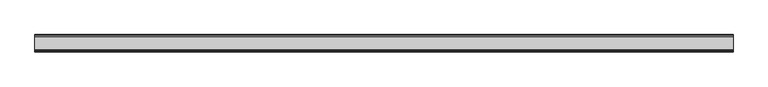
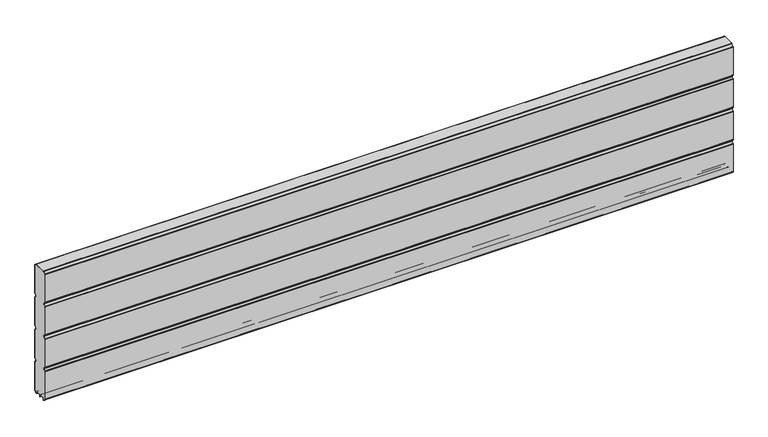
"""IFC4 building model written with IfcOpenShell, lengths in millimetres: plate geometry."""

from ifc_helpers import new_model, si_unit, point, frame, frame_2d, origin, place, context, project, spatial, polyline, circle_curve, trimmed, segment, composite_curve, outline, extrude, source, transform, mapped, element, save


def plate_25462041(model_context):
    return source(origin(), model_context, "Body", "SweptSolid", [
        extrude(outline(composite_curve([segment(polyline([(-29.2650466, 451.7624879), (-35.7138292, 458.2112702)]), True, "CONTINUOUS"), segment(trimmed(circle_curve(frame_2d((-34.2991913, 459.6259081)), 2.0006001), [point((-35.7138292, 458.2112702))], [point((-36.2997914, 459.6259081))], False, "CARTESIAN"), True, "CONTINUOUS"), segment(polyline([(-36.2997914, 459.6259081), (-36.2997914, 588.874925)]), True, "CONTINUOUS"), segment(trimmed(circle_curve(frame_2d((-34.3025404, 588.8763112)), 1.9972515), [point((-36.2997914, 588.874925))], [point((-35.7145328, 590.2888589))], False, "CARTESIAN"), True, "CONTINUOUS"), segment(polyline([(-35.7145328, 590.2888589), (-27.7860861, 598.2141893)]), True, "CONTINUOUS"), segment(trimmed(circle_curve(frame_2d((-26.3717262, 596.7992733)), 2.0006002), [point((-27.7860861, 598.2141893))], [point((-26.3717262, 598.7998734))], False, "CARTESIAN"), True, "CONTINUOUS"), segment(polyline([(-26.3717262, 598.7998734), (26.3717262, 598.7998734)]), True, "CONTINUOUS"), segment(trimmed(circle_curve(frame_2d((26.3717262, 596.7992733)), 2.0006002), [point((26.3717262, 598.7998734))], [point((27.7860861, 598.2141893))], False, "CARTESIAN"), True, "CONTINUOUS"), segment(polyline([(27.7860861, 598.2141893), (35.7145328, 590.2888589)]), True, "CONTINUOUS"), segment(trimmed(circle_curve(frame_2d((34.3025404, 588.8763112)), 1.9972515), [point((35.7145328, 590.2888589))], [point((36.2997914, 588.874925))], False, "CARTESIAN"), True, "CONTINUOUS"), segment(polyline([(36.2997914, 588.874925), (36.2997914, 459.6259081)]), True, "CONTINUOUS"), segment(trimmed(circle_curve(frame_2d((34.2991913, 459.6259081)), 2.0006001), [point((36.2997914, 459.6259081))], [point((35.7138292, 458.2112702))], False, "CARTESIAN"), True, "CONTINUOUS"), segment(polyline([(35.7138292, 458.2112702), (29.2650466, 451.7624879)]), True, "CONTINUOUS"), segment(trimmed(circle_curve(frame_2d((31.5325895, 449.4949449)), 3.20679), [point((29.2650466, 451.7624879))], [point((29.114664, 447.3884934))], True, "CARTESIAN"), True, "CONTINUOUS"), segment(polyline([(29.114664, 447.3884934), (35.7138291, 440.7893285)]), True, "CONTINUOUS"), segment(trimmed(circle_curve(frame_2d((34.2991912, 439.3746906)), 2.0006001), [point((35.7138291, 440.7893285))], [point((36.2997913, 439.3746906))], False, "CARTESIAN"), True, "CONTINUOUS"), segment(polyline([(36.2997913, 439.3746906), (36.2997913, 309.6259081)]), True, "CONTINUOUS"), segment(trimmed(circle_curve(frame_2d((34.2991912, 309.6259081)), 2.0006001), [point((36.2997913, 309.6259081))], [point((35.7138291, 308.2112702))], False, "CARTESIAN"), True, "CONTINUOUS"), segment(polyline([(35.7138291, 308.2112702), (29.2650466, 301.7624879)]), True, "CONTINUOUS"), segment(trimmed(circle_curve(frame_2d((31.5325895, 299.4949449)), 3.20679), [point((29.2650466, 301.7624879))], [point((29.4261379, 297.0770195))], True, "CARTESIAN"), True, "CONTINUOUS"), segment(polyline([(29.4261379, 297.0770195), (35.7138291, 290.7893285)]), True, "CONTINUOUS"), segment(trimmed(circle_curve(frame_2d((34.2991912, 289.3746906)), 2.0006001), [point((35.7138291, 290.7893285))], [point((36.2997913, 289.3746906))], False, "CARTESIAN"), True, "CONTINUOUS"), segment(polyline([(36.2997913, 289.3746906), (36.2997913, 159.6246474)]), True, "CONTINUOUS"), segment(trimmed(circle_curve(frame_2d((34.2991912, 159.6246474)), 2.0006001), [point((36.2997913, 159.6246474))], [point((35.7138291, 158.2100095))], False, "CARTESIAN"), True, "CONTINUOUS"), segment(polyline([(35.7138291, 158.2100095), (29.2650466, 151.7612271)]), True, "CONTINUOUS"), segment(trimmed(circle_curve(frame_2d((31.5325895, 149.4936842)), 3.20679), [point((29.2650466, 151.7612271))], [point((29.114664, 147.3872326))], True, "CARTESIAN"), True, "CONTINUOUS"), segment(polyline([(29.114664, 147.3872326), (35.7138292, 140.7880678)]), True, "CONTINUOUS"), segment(trimmed(circle_curve(frame_2d((34.2991912, 139.3734299)), 2.0006001), [point((35.7138292, 140.7880678))], [point((36.2997914, 139.3734299))], False, "CARTESIAN"), True, "CONTINUOUS"), segment(polyline([(36.2997914, 139.3734299), (36.2997914, 10.1250796)]), True, "CONTINUOUS"), segment(trimmed(circle_curve(frame_2d((34.299192, 10.1250796)), 2.0005994), [point((36.2997914, 10.1250796))], [point((35.7138294, 8.7104422))], False, "CARTESIAN"), True, "CONTINUOUS"), segment(polyline([(35.7138294, 8.7104422), (28.7893255, 1.7859383)]), True, "CONTINUOUS"), segment(trimmed(circle_curve(frame_2d((27.3158157, 3.2594482)), 2.0838576), [point((28.7893255, 1.7859383))], [point((25.2327947, 3.2004014))], False, "CARTESIAN"), True, "CONTINUOUS"), segment(polyline([(25.2327947, 3.2004014), (25.2327947, 7.9999453)]), True, "CONTINUOUS"), segment(trimmed(circle_curve(frame_2d((22.0323933, 7.9999453)), 3.2004014), [point((25.2327947, 7.9999453))], [point((22.0323933, 11.2003467))], True, "CARTESIAN"), True, "CONTINUOUS"), segment(polyline([(22.0323933, 11.2003467), (3.1993432, 11.2003467)]), True, "CONTINUOUS"), segment(trimmed(circle_curve(frame_2d((3.1993432, 8.0010035)), 3.1993432), [point((3.1993432, 11.2003467))], [point((0.0, 8.0010035))], True, "CARTESIAN"), True, "CONTINUOUS"), segment(trimmed(circle_curve(frame_2d((-3.1993432, 8.0010035)), 3.1993432), [point((0.0, 8.0010035))], [point((-3.1993432, 11.2003467))], True, "CARTESIAN"), True, "CONTINUOUS"), segment(polyline([(-3.1993432, 11.2003467), (-22.0323933, 11.2003467)]), True, "CONTINUOUS"), segment(trimmed(circle_curve(frame_2d((-22.0323933, 7.9999453)), 3.2004014), [point((-22.0323933, 11.2003467))], [point((-25.2327947, 7.9999453))], True, "CARTESIAN"), True, "CONTINUOUS"), segment(polyline([(-25.2327947, 7.9999453), (-25.2327947, 3.2004014)]), True, "CONTINUOUS"), segment(trimmed(circle_curve(frame_2d((-27.3158157, 3.2594482)), 2.0838576), [point((-25.2327947, 3.2004014))], [point((-28.7893255, 1.7859383))], False, "CARTESIAN"), True, "CONTINUOUS"), segment(polyline([(-28.7893255, 1.7859383), (-35.7138294, 8.7104422)]), True, "CONTINUOUS"), segment(trimmed(circle_curve(frame_2d((-34.299192, 10.1250796)), 2.0005994), [point((-35.7138294, 8.7104422))], [point((-36.2997914, 10.1250796))], False, "CARTESIAN"), True, "CONTINUOUS"), segment(polyline([(-36.2997914, 10.1250796), (-36.2997914, 139.3734299)]), True, "CONTINUOUS"), segment(trimmed(circle_curve(frame_2d((-34.2991912, 139.3734299)), 2.0006001), [point((-36.2997914, 139.3734299))], [point((-35.7138292, 140.7880678))], False, "CARTESIAN"), True, "CONTINUOUS"), segment(polyline([(-35.7138292, 140.7880678), (-29.114664, 147.3872326)]), True, "CONTINUOUS"), segment(trimmed(circle_curve(frame_2d((-31.5325895, 149.4936842)), 3.20679), [point((-29.114664, 147.3872326))], [point((-29.2650466, 151.7612271))], True, "CARTESIAN"), True, "CONTINUOUS"), segment(polyline([(-29.2650466, 151.7612271), (-35.7138291, 158.2100095)]), True, "CONTINUOUS"), segment(trimmed(circle_curve(frame_2d((-34.2991912, 159.6246474)), 2.0006001), [point((-35.7138291, 158.2100095))], [point((-36.2997913, 159.6246474))], False, "CARTESIAN"), True, "CONTINUOUS"), segment(polyline([(-36.2997913, 159.6246474), (-36.2997913, 289.3746906)]), True, "CONTINUOUS"), segment(trimmed(circle_curve(frame_2d((-34.2991912, 289.3746906)), 2.0006001), [point((-36.2997913, 289.3746906))], [point((-35.7138291, 290.7893285))], False, "CARTESIAN"), True, "CONTINUOUS"), segment(polyline([(-35.7138291, 290.7893285), (-29.4261379, 297.0770195)]), True, "CONTINUOUS"), segment(trimmed(circle_curve(frame_2d((-31.5325895, 299.4949449)), 3.20679), [point((-29.4261379, 297.0770195))], [point((-29.2650466, 301.7624879))], True, "CARTESIAN"), True, "CONTINUOUS"), segment(polyline([(-29.2650466, 301.7624879), (-35.7138291, 308.2112702)]), True, "CONTINUOUS"), segment(trimmed(circle_curve(frame_2d((-34.2991912, 309.6259081)), 2.0006001), [point((-35.7138291, 308.2112702))], [point((-36.2997913, 309.6259081))], False, "CARTESIAN"), True, "CONTINUOUS"), segment(polyline([(-36.2997913, 309.6259081), (-36.2997913, 439.3746906)]), True, "CONTINUOUS"), segment(trimmed(circle_curve(frame_2d((-34.2991912, 439.3746906)), 2.0006001), [point((-36.2997913, 439.3746906))], [point((-35.7138291, 440.7893285))], False, "CARTESIAN"), True, "CONTINUOUS"), segment(polyline([(-35.7138291, 440.7893285), (-29.114664, 447.3884934)]), True, "CONTINUOUS"), segment(trimmed(circle_curve(frame_2d((-31.5325895, 449.4949449)), 3.20679), [point((-29.114664, 447.3884934))], [point((-29.2650466, 451.7624879))], True, "CARTESIAN"), True, "CONTINUOUS")], self_intersect=False)), frame((-1508.538987, 0.0, 0.0), z_axis=(1.0, 0.0, 0.0), x_axis=(0.0, 1.0, 0.0)), (0.0, 0.0, 1.0), 3017.0779741),
        extrude(outline(composite_curve([segment(trimmed(circle_curve(frame_2d((-34.299418, 588.8742584)), 3.200524), [point((-37.499942, 588.8742584))], [point((-36.5622582, 591.1376426))], False, "CARTESIAN"), True, "CONTINUOUS"), segment(polyline([(-36.5622582, 591.1376426), (-28.6355395, 599.0624563)]), True, "CONTINUOUS"), segment(trimmed(circle_curve(frame_2d((-26.3720296, 596.7984023)), 3.2014711), [point((-28.6355395, 599.0624563))], [point((-26.3720296, 599.9998734))], False, "CARTESIAN"), True, "CONTINUOUS"), segment(polyline([(-26.3720296, 599.9998734), (26.3720296, 599.9998734)]), True, "CONTINUOUS"), segment(trimmed(circle_curve(frame_2d((26.3720296, 596.7984023)), 3.2014711), [point((26.3720296, 599.9998734))], [point((28.6355395, 599.0624563))], False, "CARTESIAN"), True, "CONTINUOUS"), segment(polyline([(28.6355395, 599.0624563), (36.5622582, 591.1376426)]), True, "CONTINUOUS"), segment(trimmed(circle_curve(frame_2d((34.299418, 588.8742584)), 3.200524), [point((36.5622582, 591.1376426))], [point((37.499942, 588.8742584))], False, "CARTESIAN"), True, "CONTINUOUS"), segment(polyline([(37.499942, 588.8742584), (37.499942, 459.6259081)]), True, "CONTINUOUS"), segment(trimmed(circle_curve(frame_2d((34.3010265, 459.6259081)), 3.1989155), [point((37.499942, 459.6259081))], [point((36.5630013, 457.3639333))], False, "CARTESIAN"), True, "CONTINUOUS"), segment(polyline([(36.5630013, 457.3639333), (30.1138303, 450.9147625)]), True, "CONTINUOUS"), segment(trimmed(circle_curve(frame_2d((31.5282934, 449.5002993)), 2.000353), [point((30.1138303, 450.9147625))], [point((30.1138303, 448.0858362))], True, "CARTESIAN"), True, "CONTINUOUS"), segment(polyline([(30.1138303, 448.0858362), (36.5630013, 441.6366654)]), True, "CONTINUOUS"), segment(trimmed(circle_curve(frame_2d((34.3010265, 439.3746906)), 3.1989154), [point((36.5630013, 441.6366654))], [point((37.4999419, 439.3746906))], False, "CARTESIAN"), True, "CONTINUOUS"), segment(polyline([(37.4999419, 439.3746906), (37.4999419, 309.6259081)]), True, "CONTINUOUS"), segment(trimmed(circle_curve(frame_2d((34.3010265, 309.6259081)), 3.1989154), [point((37.4999419, 309.6259081))], [point((36.5630013, 307.3639333))], False, "CARTESIAN"), True, "CONTINUOUS"), segment(polyline([(36.5630013, 307.3639333), (30.1138303, 300.9147625)]), True, "CONTINUOUS"), segment(trimmed(circle_curve(frame_2d((31.5282934, 299.5002993)), 2.000353), [point((30.1138303, 300.9147625))], [point((30.1138303, 298.0858362))], True, "CARTESIAN"), True, "CONTINUOUS"), segment(polyline([(30.1138303, 298.0858362), (36.5630013, 291.6366654)]), True, "CONTINUOUS"), segment(trimmed(circle_curve(frame_2d((34.3010265, 289.3746906)), 3.1989154), [point((36.5630013, 291.6366654))], [point((37.4999419, 289.3746906))], False, "CARTESIAN"), True, "CONTINUOUS"), segment(polyline([(37.4999419, 289.3746906), (37.4999419, 159.6246474)]), True, "CONTINUOUS"), segment(trimmed(circle_curve(frame_2d((34.3010265, 159.6246474)), 3.1989154), [point((37.4999419, 159.6246474))], [point((36.5630013, 157.3626726))], False, "CARTESIAN"), True, "CONTINUOUS"), segment(polyline([(36.5630013, 157.3626726), (30.1138303, 150.9135018)]), True, "CONTINUOUS"), segment(trimmed(circle_curve(frame_2d((31.5282934, 149.4990386)), 2.000353), [point((30.1138303, 150.9135018))], [point((30.1138303, 148.0845755))], True, "CARTESIAN"), True, "CONTINUOUS"), segment(polyline([(30.1138303, 148.0845755), (36.5630013, 141.6354046)]), True, "CONTINUOUS"), segment(trimmed(circle_curve(frame_2d((34.3010265, 139.3734298)), 3.1989154), [point((36.5630013, 141.6354046))], [point((37.4999419, 139.3734298))], False, "CARTESIAN"), True, "CONTINUOUS"), segment(polyline([(37.4999419, 139.3734298), (37.4999419, 10.1250796)]), True, "CONTINUOUS"), segment(trimmed(circle_curve(frame_2d((34.3010265, 10.1250796)), 3.1989154), [point((37.4999419, 10.1250796))], [point((36.5630004, 7.8631039))], False, "CARTESIAN"), True, "CONTINUOUS"), segment(polyline([(36.5630004, 7.8631039), (29.6332576, 0.9333666)]), True, "CONTINUOUS"), segment(trimmed(circle_curve(frame_2d((27.311397, 3.255229)), 3.283608), [point((29.6332576, 0.9333666))], [point((24.0283217, 3.1960843))], False, "CARTESIAN"), True, "CONTINUOUS"), segment(polyline([(24.0283217, 3.1960843), (24.0326442, 7.9999453)]), True, "CONTINUOUS"), segment(trimmed(circle_curve(frame_2d((22.0341915, 8.0017435)), 1.9984535), [point((24.0326442, 7.9999453))], [point((22.0323933, 10.0001962))], True, "CARTESIAN"), True, "CONTINUOUS"), segment(polyline([(22.0323933, 10.0001962), (3.1993432, 10.0001962)]), True, "CONTINUOUS"), segment(trimmed(circle_curve(frame_2d((3.1993432, 8.0010035)), 1.9991927), [point((3.1993432, 10.0001962))], [point((1.2001505, 8.0010035))], True, "CARTESIAN"), True, "CONTINUOUS"), segment(polyline([(1.2001505, 8.0010035), (1.2001504, 0.0), (0.0, 0.0), (-1.2001504, 0.0), (-1.2001504, 8.0010034)]), True, "CONTINUOUS"), segment(trimmed(circle_curve(frame_2d((-3.1993432, 8.0010035)), 1.9991928), [point((-1.2001504, 8.0010034))], [point((-3.1993432, 10.0001963))], True, "CARTESIAN"), True, "CONTINUOUS"), segment(polyline([(-3.1993432, 10.0001963), (-22.0323933, 10.0001962)]), True, "CONTINUOUS"), segment(trimmed(circle_curve(frame_2d((-22.0341915, 8.0017435)), 1.9984535), [point((-22.0323933, 10.0001962))], [point((-24.0326442, 7.9999453))], True, "CARTESIAN"), True, "CONTINUOUS"), segment(polyline([(-24.0326442, 7.9999453), (-24.0283217, 3.1960843)]), True, "CONTINUOUS"), segment(trimmed(circle_curve(frame_2d((-27.311397, 3.255229)), 3.283608), [point((-24.0283217, 3.1960843))], [point((-29.6332576, 0.9333666))], False, "CARTESIAN"), True, "CONTINUOUS"), segment(polyline([(-29.6332576, 0.9333666), (-36.5630004, 7.8631039)]), True, "CONTINUOUS"), segment(trimmed(circle_curve(frame_2d((-34.3010265, 10.1250796)), 3.1989154), [point((-36.5630004, 7.8631039))], [point((-37.4999419, 10.1250796))], False, "CARTESIAN"), True, "CONTINUOUS"), segment(polyline([(-37.4999419, 10.1250796), (-37.4999419, 139.3734298)]), True, "CONTINUOUS"), segment(trimmed(circle_curve(frame_2d((-34.3010265, 139.3734298)), 3.1989154), [point((-37.4999419, 139.3734298))], [point((-36.5630013, 141.6354046))], False, "CARTESIAN"), True, "CONTINUOUS"), segment(polyline([(-36.5630013, 141.6354046), (-30.1138303, 148.0845755)]), True, "CONTINUOUS"), segment(trimmed(circle_curve(frame_2d((-31.5282934, 149.4990386)), 2.000353), [point((-30.1138303, 148.0845755))], [point((-30.1138303, 150.9135018))], True, "CARTESIAN"), True, "CONTINUOUS"), segment(polyline([(-30.1138303, 150.9135018), (-36.5630013, 157.3626726)]), True, "CONTINUOUS"), segment(trimmed(circle_curve(frame_2d((-34.3010265, 159.6246474)), 3.1989154), [point((-36.5630013, 157.3626726))], [point((-37.4999419, 159.6246474))], False, "CARTESIAN"), True, "CONTINUOUS"), segment(polyline([(-37.4999419, 159.6246474), (-37.4999419, 289.3746906)]), True, "CONTINUOUS"), segment(trimmed(circle_curve(frame_2d((-34.3010265, 289.3746906)), 3.1989154), [point((-37.4999419, 289.3746906))], [point((-36.5630013, 291.6366653))], False, "CARTESIAN"), True, "CONTINUOUS"), segment(polyline([(-36.5630013, 291.6366653), (-30.1138303, 298.0858362)]), True, "CONTINUOUS"), segment(trimmed(circle_curve(frame_2d((-31.5282934, 299.5002993)), 2.000353), [point((-30.1138303, 298.0858362))], [point((-30.1138303, 300.9147625))], True, "CARTESIAN"), True, "CONTINUOUS"), segment(polyline([(-30.1138303, 300.9147625), (-36.5630013, 307.3639333)]), True, "CONTINUOUS"), segment(trimmed(circle_curve(frame_2d((-34.3010265, 309.6259081)), 3.1989154), [point((-36.5630013, 307.3639333))], [point((-37.4999419, 309.6259081))], False, "CARTESIAN"), True, "CONTINUOUS"), segment(polyline([(-37.4999419, 309.6259081), (-37.4999419, 439.3746906)]), True, "CONTINUOUS"), segment(trimmed(circle_curve(frame_2d((-34.3010265, 439.3746906)), 3.1989154), [point((-37.4999419, 439.3746906))], [point((-36.5630013, 441.6366653))], False, "CARTESIAN"), True, "CONTINUOUS"), segment(polyline([(-36.5630013, 441.6366653), (-30.1138303, 448.0858362)]), True, "CONTINUOUS"), segment(trimmed(circle_curve(frame_2d((-31.5282934, 449.5002993)), 2.000353), [point((-30.1138303, 448.0858362))], [point((-30.1138303, 450.9147625))], True, "CARTESIAN"), True, "CONTINUOUS"), segment(polyline([(-30.1138303, 450.9147625), (-36.5630013, 457.3639333)]), True, "CONTINUOUS"), segment(trimmed(circle_curve(frame_2d((-34.3010265, 459.6259081)), 3.1989155), [point((-36.5630013, 457.3639333))], [point((-37.499942, 459.6259081))], False, "CARTESIAN"), True, "CONTINUOUS"), segment(polyline([(-37.499942, 459.6259081), (-37.499942, 588.8742584)]), True, "CONTINUOUS")], self_intersect=False), holes=[composite_curve([segment(trimmed(circle_curve(frame_2d((-31.5325895, 449.4949449)), 3.20679), [point((-29.2650466, 451.7624879))], [point((-29.114664, 447.3884934))], False, "CARTESIAN"), True, "CONTINUOUS"), segment(polyline([(-29.114664, 447.3884934), (-35.7138291, 440.7893285)]), True, "CONTINUOUS"), segment(trimmed(circle_curve(frame_2d((-34.2991912, 439.3746906)), 2.0006001), [point((-35.7138291, 440.7893285))], [point((-36.2997913, 439.3746906))], True, "CARTESIAN"), True, "CONTINUOUS"), segment(polyline([(-36.2997913, 439.3746906), (-36.2997913, 309.6259081)]), True, "CONTINUOUS"), segment(trimmed(circle_curve(frame_2d((-34.2991912, 309.6259081)), 2.0006001), [point((-36.2997913, 309.6259081))], [point((-35.7138291, 308.2112702))], True, "CARTESIAN"), True, "CONTINUOUS"), segment(polyline([(-35.7138291, 308.2112702), (-29.2650466, 301.7624879)]), True, "CONTINUOUS"), segment(trimmed(circle_curve(frame_2d((-31.5325895, 299.4949449)), 3.20679), [point((-29.2650466, 301.7624879))], [point((-29.4261379, 297.0770195))], False, "CARTESIAN"), True, "CONTINUOUS"), segment(polyline([(-29.4261379, 297.0770195), (-35.7138291, 290.7893285)]), True, "CONTINUOUS"), segment(trimmed(circle_curve(frame_2d((-34.2991912, 289.3746906)), 2.0006001), [point((-35.7138291, 290.7893285))], [point((-36.2997913, 289.3746906))], True, "CARTESIAN"), True, "CONTINUOUS"), segment(polyline([(-36.2997913, 289.3746906), (-36.2997913, 159.6246474)]), True, "CONTINUOUS"), segment(trimmed(circle_curve(frame_2d((-34.2991912, 159.6246474)), 2.0006001), [point((-36.2997913, 159.6246474))], [point((-35.7138291, 158.2100095))], True, "CARTESIAN"), True, "CONTINUOUS"), segment(polyline([(-35.7138291, 158.2100095), (-29.2650466, 151.7612271)]), True, "CONTINUOUS"), segment(trimmed(circle_curve(frame_2d((-31.5325895, 149.4936842)), 3.20679), [point((-29.2650466, 151.7612271))], [point((-29.114664, 147.3872326))], False, "CARTESIAN"), True, "CONTINUOUS"), segment(polyline([(-29.114664, 147.3872326), (-35.7138292, 140.7880677)]), True, "CONTINUOUS"), segment(trimmed(circle_curve(frame_2d((-34.2991912, 139.3734298)), 2.0006001), [point((-35.7138292, 140.7880677))], [point((-36.2997914, 139.3734298))], True, "CARTESIAN"), True, "CONTINUOUS"), segment(polyline([(-36.2997914, 139.3734298), (-36.2997914, 10.1250796)]), True, "CONTINUOUS"), segment(trimmed(circle_curve(frame_2d((-34.299192, 10.1250796)), 2.0005994), [point((-36.2997914, 10.1250796))], [point((-35.7138294, 8.7104422))], True, "CARTESIAN"), True, "CONTINUOUS"), segment(polyline([(-35.7138294, 8.7104422), (-28.7893255, 1.7859383)]), True, "CONTINUOUS"), segment(trimmed(circle_curve(frame_2d((-27.3158157, 3.2594482)), 2.0838576), [point((-28.7893255, 1.7859383))], [point((-25.2327947, 3.2004014))], True, "CARTESIAN"), True, "CONTINUOUS"), segment(polyline([(-25.2327947, 3.2004014), (-25.2327947, 7.9999453)]), True, "CONTINUOUS"), segment(trimmed(circle_curve(frame_2d((-22.0323933, 7.9999453)), 3.2004014), [point((-25.2327947, 7.9999453))], [point((-22.0323933, 11.2003467))], False, "CARTESIAN"), True, "CONTINUOUS"), segment(polyline([(-22.0323933, 11.2003467), (-3.1993432, 11.2003467)]), True, "CONTINUOUS"), segment(trimmed(circle_curve(frame_2d((-3.1993432, 8.0010035)), 3.1993432), [point((-3.1993432, 11.2003467))], [point((0.0, 8.0010035))], False, "CARTESIAN"), True, "CONTINUOUS"), segment(trimmed(circle_curve(frame_2d((3.1993432, 8.0010035)), 3.1993432), [point((0.0, 8.0010035))], [point((3.1993432, 11.2003467))], False, "CARTESIAN"), True, "CONTINUOUS"), segment(polyline([(3.1993432, 11.2003467), (22.0323933, 11.2003467)]), True, "CONTINUOUS"), segment(trimmed(circle_curve(frame_2d((22.0323933, 7.9999453)), 3.2004014), [point((22.0323933, 11.2003467))], [point((25.2327947, 7.9999453))], False, "CARTESIAN"), True, "CONTINUOUS"), segment(polyline([(25.2327947, 7.9999453), (25.2327947, 3.2004014)]), True, "CONTINUOUS"), segment(trimmed(circle_curve(frame_2d((27.3158157, 3.2594482)), 2.0838576), [point((25.2327947, 3.2004014))], [point((28.7893255, 1.7859383))], True, "CARTESIAN"), True, "CONTINUOUS"), segment(polyline([(28.7893255, 1.7859383), (35.7138294, 8.7104422)]), True, "CONTINUOUS"), segment(trimmed(circle_curve(frame_2d((34.299192, 10.1250796)), 2.0005994), [point((35.7138294, 8.7104422))], [point((36.2997914, 10.1250796))], True, "CARTESIAN"), True, "CONTINUOUS"), segment(polyline([(36.2997914, 10.1250796), (36.2997914, 139.3734298)]), True, "CONTINUOUS"), segment(trimmed(circle_curve(frame_2d((34.2991912, 139.3734298)), 2.0006001), [point((36.2997914, 139.3734298))], [point((35.7138292, 140.7880678))], True, "CARTESIAN"), True, "CONTINUOUS"), segment(polyline([(35.7138292, 140.7880678), (29.114664, 147.3872326)]), True, "CONTINUOUS"), segment(trimmed(circle_curve(frame_2d((31.5325895, 149.4936842)), 3.20679), [point((29.114664, 147.3872326))], [point((29.2650466, 151.7612271))], False, "CARTESIAN"), True, "CONTINUOUS"), segment(polyline([(29.2650466, 151.7612271), (35.7138291, 158.2100095)]), True, "CONTINUOUS"), segment(trimmed(circle_curve(frame_2d((34.2991912, 159.6246474)), 2.0006001), [point((35.7138291, 158.2100095))], [point((36.2997913, 159.6246474))], True, "CARTESIAN"), True, "CONTINUOUS"), segment(polyline([(36.2997913, 159.6246474), (36.2997913, 289.3746906)]), True, "CONTINUOUS"), segment(trimmed(circle_curve(frame_2d((34.2991912, 289.3746906)), 2.0006001), [point((36.2997913, 289.3746906))], [point((35.7138291, 290.7893285))], True, "CARTESIAN"), True, "CONTINUOUS"), segment(polyline([(35.7138291, 290.7893285), (29.4261379, 297.0770195)]), True, "CONTINUOUS"), segment(trimmed(circle_curve(frame_2d((31.5325895, 299.4949449)), 3.20679), [point((29.4261379, 297.0770195))], [point((29.2650466, 301.7624879))], False, "CARTESIAN"), True, "CONTINUOUS"), segment(polyline([(29.2650466, 301.7624879), (35.7138291, 308.2112702)]), True, "CONTINUOUS"), segment(trimmed(circle_curve(frame_2d((34.2991912, 309.6259081)), 2.0006001), [point((35.7138291, 308.2112702))], [point((36.2997913, 309.6259081))], True, "CARTESIAN"), True, "CONTINUOUS"), segment(polyline([(36.2997913, 309.6259081), (36.2997913, 439.3746906)]), True, "CONTINUOUS"), segment(trimmed(circle_curve(frame_2d((34.2991912, 439.3746906)), 2.0006001), [point((36.2997913, 439.3746906))], [point((35.7138291, 440.7893285))], True, "CARTESIAN"), True, "CONTINUOUS"), segment(polyline([(35.7138291, 440.7893285), (29.114664, 447.3884934)]), True, "CONTINUOUS"), segment(trimmed(circle_curve(frame_2d((31.5325895, 449.4949449)), 3.20679), [point((29.114664, 447.3884934))], [point((29.2650466, 451.7624879))], False, "CARTESIAN"), True, "CONTINUOUS"), segment(polyline([(29.2650466, 451.7624879), (35.7138292, 458.2112702)]), True, "CONTINUOUS"), segment(trimmed(circle_curve(frame_2d((34.2991913, 459.6259081)), 2.0006001), [point((35.7138292, 458.2112702))], [point((36.2997914, 459.6259081))], True, "CARTESIAN"), True, "CONTINUOUS"), segment(polyline([(36.2997914, 459.6259081), (36.2997914, 588.874925)]), True, "CONTINUOUS"), segment(trimmed(circle_curve(frame_2d((34.3025404, 588.8763112)), 1.9972515), [point((36.2997914, 588.874925))], [point((35.7145328, 590.2888589))], True, "CARTESIAN"), True, "CONTINUOUS"), segment(polyline([(35.7145328, 590.2888589), (27.7860861, 598.2141893)]), True, "CONTINUOUS"), segment(trimmed(circle_curve(frame_2d((26.3717262, 596.7992733)), 2.0006002), [point((27.7860861, 598.2141893))], [point((26.3717262, 598.7998734))], True, "CARTESIAN"), True, "CONTINUOUS"), segment(polyline([(26.3717262, 598.7998734), (-26.3717262, 598.7998734)]), True, "CONTINUOUS"), segment(trimmed(circle_curve(frame_2d((-26.3717262, 596.7992733)), 2.0006002), [point((-26.3717262, 598.7998734))], [point((-27.7860861, 598.2141893))], True, "CARTESIAN"), True, "CONTINUOUS"), segment(polyline([(-27.7860861, 598.2141893), (-35.7145328, 590.2888589)]), True, "CONTINUOUS"), segment(trimmed(circle_curve(frame_2d((-34.3025404, 588.8763112)), 1.9972515), [point((-35.7145328, 590.2888589))], [point((-36.2997914, 588.874925))], True, "CARTESIAN"), True, "CONTINUOUS"), segment(polyline([(-36.2997914, 588.874925), (-36.2997914, 459.6259081)]), True, "CONTINUOUS"), segment(trimmed(circle_curve(frame_2d((-34.2991913, 459.6259081)), 2.0006001), [point((-36.2997914, 459.6259081))], [point((-35.7138292, 458.2112702))], True, "CARTESIAN"), True, "CONTINUOUS"), segment(polyline([(-35.7138292, 458.2112702), (-29.2650466, 451.7624879)]), True, "CONTINUOUS")], self_intersect=False)]), frame((-1508.538987, 0.0, 0.0), z_axis=(1.0, 0.0, 0.0), x_axis=(0.0, 1.0, 0.0)), (0.0, 0.0, 1.0), 3017.0779741),
    ])


if __name__ == "__main__":
    model = new_model("IFC4")
    model_context = context("Model", 3, world=origin())
    ifc_project = project(units=[si_unit("LENGTHUNIT", "METRE", prefix="MILLI")], contexts=[model_context])
    site = spatial("IfcSite", under=ifc_project)
    building = spatial("IfcBuilding", under=site)
    placement = place(None, origin())
    plate_shape = plate_25462041(model_context)
    element("IfcPlate", 1, at=placement, inside=building, context=model_context, shape_type="MappedRepresentation", body=[
        mapped(plate_shape, transform((0.0, 0.0, 0.0), x_axis=(1.0, 0.0, 0.0), y_axis=(0.0, 1.0, 0.0), z_axis=(0.0, 0.0, 1.0))),
    ])
    save(model, "model.ifc")
